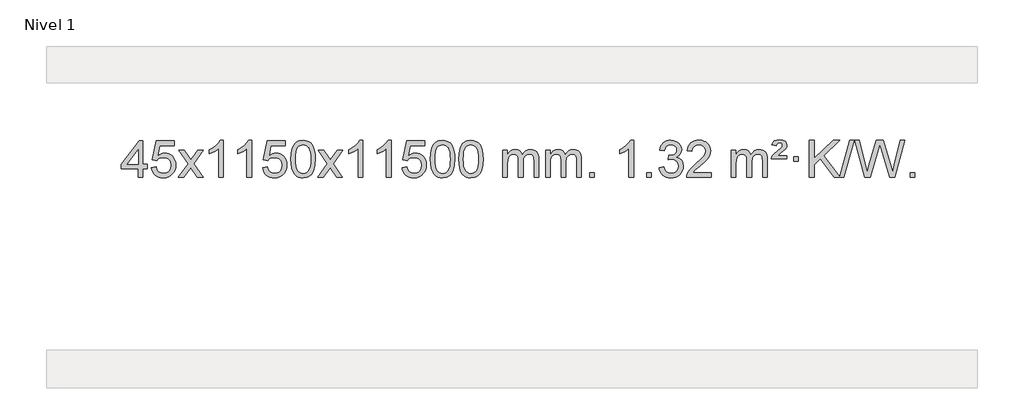
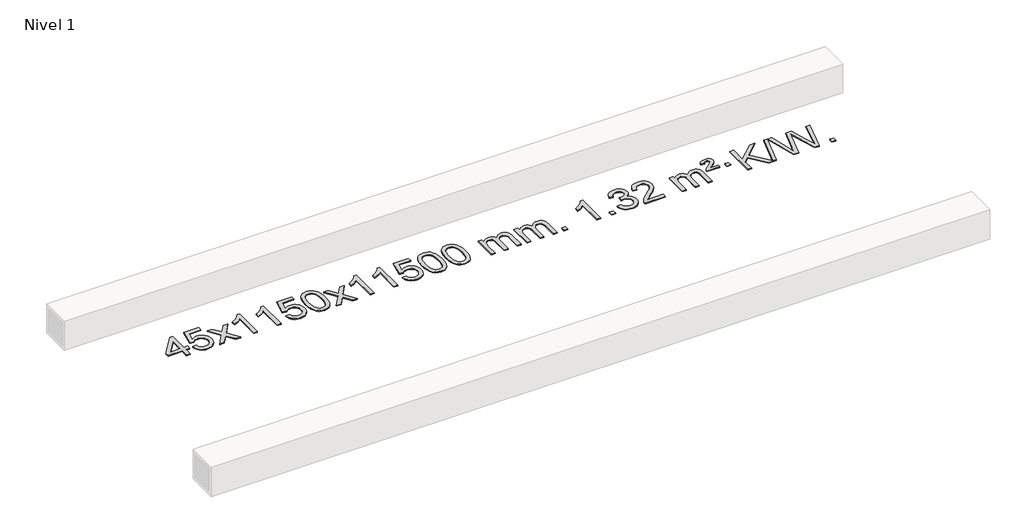
# One storey, part 3 of 4: 1 proxy.
"""IFC4 building model written with IfcOpenShell, lengths in millimetres."""

from ifc_helpers import new_model, si_unit, origin, origin_with_axes, place, context, project, spatial, polyline, outline, extrude, element, save

model = new_model("IFC4")

# Units and contexts
model_context = context("Model", 3, world=origin())
ifc_project = project(units=[si_unit("LENGTHUNIT", "METRE", prefix="MILLI")], contexts=[model_context])

# Site, building, storey
site = spatial("IfcSite", under=ifc_project)
building = spatial("IfcBuilding", under=site)
storey = spatial("IfcBuildingStorey", under=building, Name="Nivel 1", Elevation=0.0)

# Proxy
placement = place(None, origin())
element("IfcBuildingElementProxy", 1, Name="Texto de modelo 1", ObjectType="Texto de modelo 1", at=placement, inside=storey, context=model_context, shape_type="SweptSolid", body=[
    extrude(outline(polyline([(-19001.7254597, -1016.3248037), (-19001.7254597, -922.1470129), (-19183.8025218, -922.1470129), (-19183.8025218, -871.9188579), (-18989.1684209, -620.7780825), (-18951.4973046, -620.7780825), (-18951.4973046, -871.9188579), (-18901.2691495, -871.9188579), (-18901.2691495, -922.1470129), (-18951.4973046, -922.1470129), (-18951.4973046, -1016.3248037), (-19001.7254597, -1016.3248037)]), holes=[polyline([(-19001.7254597, -871.9188579), (-19001.7254597, -716.7217068), (-19121.9983466, -871.9188579), (-19001.7254597, -871.9188579)])]), origin_with_axes(), (0.0, 0.0, 1.0), 10.0),
    extrude(outline(polyline([(-18857.3195138, -909.5899742), (-18807.0913588, -903.3114548), (-18797.8697834, -933.4655156), (-18781.7810775, -955.0601888), (-18758.8988174, -968.0464232), (-18729.2965795, -972.375168), (-18710.1667158, -970.8699175), (-18693.2931949, -966.354166), (-18678.676017, -958.8279135), (-18666.3151819, -948.2911601), (-18656.4866013, -935.2650717), (-18649.4661866, -920.2708148), (-18643.8498548, -884.3777948), (-18649.1105673, -850.5817021), (-18655.686458, -836.6635), (-18664.8927049, -824.7318606), (-18676.7599649, -815.1607974), (-18691.3188949, -808.3243236), (-18728.5117646, -802.8551446), (-18752.8778154, -805.0379111), (-18772.6085531, -811.5862106), (-18788.3661652, -821.6171264), (-18800.8128394, -834.2477415), (-18851.0409945, -827.9692222), (-18807.0913588, -620.7780825), (-18612.4572579, -620.7780825), (-18612.4572579, -671.0062376), (-18766.4771865, -671.0062376), (-18787.961495, -781.6651417), (-18770.2357142, -768.9609501), (-18752.0807378, -759.8865276), (-18733.4965656, -754.4418741), (-18714.4831979, -752.6269896), (-18690.0221109, -754.8772011), (-18667.553718, -761.6278357), (-18647.0780193, -772.8788934), (-18628.5950147, -788.6303741), (-18613.2941894, -807.9196534), (-18602.3650285, -829.7841067), (-18595.8075319, -854.2237339), (-18593.6216997, -881.2385351), (-18595.5898684, -907.2600549), (-18601.4943744, -931.4666901), (-18611.3352178, -953.8584409), (-18625.1123985, -974.4353072), (-18645.9835703, -995.5088141), (-18670.3373584, -1010.5613191), (-18698.1737627, -1019.5928221), (-18729.4927833, -1022.6033231), (-18755.4131355, -1020.6688769), (-18778.8257588, -1014.8655384), (-18799.7306532, -1005.1933077), (-18818.1278186, -991.6521846), (-18833.4347753, -974.9166195), (-18845.0690434, -955.6610627), (-18853.0306229, -933.8855143), (-18857.3195138, -909.5899742)])), origin_with_axes(), (0.0, 0.0, 1.0), 10.0),
    extrude(outline(polyline([(-18568.5076222, -1016.3248037), (-18461.1841814, -867.9947832), (-18562.2291028, -721.2343926), (-18501.7983537, -721.2343926), (-18453.0417266, -791.8677357), (-18430.2820938, -825.2223699), (-18410.5636189, -797.9500514), (-18355.0379631, -721.2343926), (-18294.607214, -721.2343926), (-18400.7534324, -867.9947832), (-18298.5312886, -1016.3248037), (-18358.9620377, -1016.3248037), (-18420.4719073, -927.1502081), (-18431.7536218, -910.8652984), (-18508.0768731, -1016.3248037), (-18568.5076222, -1016.3248037)])), origin_with_axes(), (0.0, 0.0, 1.0), 10.0),
    extrude(outline(polyline([(-18078.7831102, -1016.3248037), (-18129.0112653, -1016.3248037), (-18129.0112653, -703.1836494), (-18149.980539, -720.1430094), (-18176.59067, -737.0778439), (-18229.4675754, -762.4371761), (-18229.4675754, -714.9558732), (-18190.0183628, -693.4960902), (-18155.8421254, -667.9650797), (-18128.9009007, -640.8153885), (-18111.1567258, -614.4995631), (-18078.7831102, -614.4995631), (-18078.7831102, -1016.3248037)])), origin_with_axes(), (0.0, 0.0, 1.0), 10.0),
    extrude(outline(polyline([(-17771.1356604, -1016.3248037), (-17821.3638154, -1016.3248037), (-17821.3638154, -703.1836494), (-17842.3330892, -720.1430094), (-17868.9432201, -737.0778439), (-17921.8201256, -762.4371761), (-17921.8201256, -714.9558732), (-17882.370913, -693.4960902), (-17848.1946756, -667.9650797), (-17821.2534508, -640.8153885), (-17803.5092759, -614.4995631), (-17771.1356604, -614.4995631), (-17771.1356604, -1016.3248037)])), origin_with_axes(), (0.0, 0.0, 1.0), 10.0),
    extrude(outline(polyline([(-17651.8437921, -909.5899742), (-17601.615637, -903.3114548), (-17592.3940616, -933.4655156), (-17576.3053557, -955.0601888), (-17553.4230956, -968.0464232), (-17523.8208577, -972.375168), (-17504.690994, -970.8699175), (-17487.8174731, -966.354166), (-17473.2002952, -958.8279135), (-17460.8394602, -948.2911601), (-17451.0108795, -935.2650717), (-17443.9904648, -920.2708148), (-17438.374133, -884.3777948), (-17443.6348455, -850.5817021), (-17450.2107362, -836.6635), (-17459.4169831, -824.7318606), (-17471.2842431, -815.1607974), (-17485.8431731, -808.3243236), (-17523.0360428, -802.8551446), (-17547.4020936, -805.0379111), (-17567.1328313, -811.5862106), (-17582.8904434, -821.6171264), (-17595.3371176, -834.2477415), (-17645.5652727, -827.9692222), (-17601.615637, -620.7780825), (-17406.9815361, -620.7780825), (-17406.9815361, -671.0062376), (-17561.0014647, -671.0062376), (-17582.4857732, -781.6651417), (-17564.7599924, -768.9609501), (-17546.605016, -759.8865276), (-17528.0208438, -754.4418741), (-17509.0074761, -752.6269896), (-17484.5463891, -754.8772011), (-17462.0779962, -761.6278357), (-17441.6022975, -772.8788934), (-17423.1192929, -788.6303741), (-17407.8184676, -807.9196534), (-17396.8893067, -829.7841067), (-17390.3318101, -854.2237339), (-17388.1459779, -881.2385351), (-17390.1141466, -907.2600549), (-17396.0186526, -931.4666901), (-17405.859496, -953.8584409), (-17419.6366767, -974.4353072), (-17440.5078486, -995.5088141), (-17464.8616366, -1010.5613191), (-17492.6980409, -1019.5928221), (-17524.0170615, -1022.6033231), (-17549.9374137, -1020.6688769), (-17573.350037, -1014.8655384), (-17594.2549314, -1005.1933077), (-17612.6520968, -991.6521846), (-17627.9590535, -974.9166195), (-17639.5933216, -955.6610627), (-17647.5549011, -933.8855143), (-17651.8437921, -909.5899742)])), origin_with_axes(), (0.0, 0.0, 1.0), 10.0),
    extrude(outline(polyline([(-17344.1963422, -818.649545), (-17340.5052595, -754.3315095), (-17329.4320115, -703.0364966), (-17311.0869627, -663.9796914), (-17299.2288997, -648.7463112), (-17285.5804777, -636.3762791), (-17270.0957113, -626.8052158), (-17252.7286155, -619.9687421), (-17212.3474351, -614.4995631), (-17181.3962966, -617.7369247), (-17153.6825196, -627.4490093), (-17130.505954, -643.2556724), (-17113.1664492, -664.7767691), (-17100.0698502, -691.8283585), (-17089.6220016, -724.2264995), (-17082.7793964, -765.3679693), (-17080.4985281, -818.649545), (-17084.1528226, -882.5996984), (-17095.115706, -933.772084), (-17113.3503902, -972.8656773), (-17125.1808621, -988.1450429), (-17138.820087, -1000.5794543), (-17154.3232475, -1010.2148969), (-17171.7455256, -1017.0973559), (-17212.3474351, -1022.6033231), (-17240.0121612, -1020.2120901), (-17264.5376275, -1013.0383912), (-17285.9238342, -1001.0822264), (-17304.1707811, -984.3435956), (-17321.6819641, -954.0853015), (-17334.1899519, -916.3835283), (-17341.6947446, -871.2382762), (-17344.1963422, -818.649545)]), holes=[polyline([(-17293.9681871, -818.5514431), (-17292.4966592, -862.2159702), (-17288.0820752, -897.5602329), (-17280.7244353, -924.5842311), (-17270.4237395, -943.2879649), (-17257.9648025, -956.0136163), (-17244.1324395, -965.1033672), (-17228.9266504, -970.5572178), (-17212.3474351, -972.375168), (-17195.7682199, -970.5510864), (-17180.5624308, -965.0788418), (-17166.7300677, -955.958434), (-17154.2711308, -943.1898631), (-17143.970435, -924.4554724), (-17136.6127951, -897.4376056), (-17132.1982111, -862.1362625), (-17130.7266831, -818.5514431), (-17132.1491602, -776.0426785), (-17136.4165913, -741.3207496), (-17143.5289766, -714.3856562), (-17153.4863159, -695.2373983), (-17165.7367864, -681.8894132), (-17179.7285649, -672.3551382), (-17195.4616516, -666.6345732), (-17212.9360463, -664.7277182), (-17229.4294225, -666.4077126), (-17244.3776942, -671.4476959), (-17257.7808616, -679.8476682), (-17269.6389245, -691.6076293), (-17280.2829769, -712.4542757), (-17287.8858715, -740.5604601), (-17292.4476082, -775.9261826), (-17293.9681871, -818.5514431)])]), origin_with_axes(), (0.0, 0.0, 1.0), 10.0),
    extrude(outline(polyline([(-17055.3844505, -1016.3248037), (-16948.0610098, -867.9947832), (-17049.1059312, -721.2343926), (-16988.6751821, -721.2343926), (-16939.918555, -791.8677357), (-16917.1589222, -825.2223699), (-16897.4404473, -797.9500514), (-16841.9147915, -721.2343926), (-16781.4840424, -721.2343926), (-16887.6302607, -867.9947832), (-16785.408117, -1016.3248037), (-16845.8388661, -1016.3248037), (-16907.3487357, -927.1502081), (-16918.6304502, -910.8652984), (-16994.9537015, -1016.3248037), (-17055.3844505, -1016.3248037)])), origin_with_axes(), (0.0, 0.0, 1.0), 10.0),
    extrude(outline(polyline([(-16565.6599386, -1016.3248037), (-16615.8880936, -1016.3248037), (-16615.8880936, -703.1836494), (-16636.8573674, -720.1430094), (-16663.4674983, -737.0778439), (-16716.3444038, -762.4371761), (-16716.3444038, -714.9558732), (-16676.8951912, -693.4960902), (-16642.7189538, -667.9650797), (-16615.777729, -640.8153885), (-16598.0335541, -614.4995631), (-16565.6599386, -614.4995631), (-16565.6599386, -1016.3248037)])), origin_with_axes(), (0.0, 0.0, 1.0), 10.0),
    extrude(outline(polyline([(-16258.0124887, -1016.3248037), (-16308.2406438, -1016.3248037), (-16308.2406438, -703.1836494), (-16329.2099175, -720.1430094), (-16355.8200485, -737.0778439), (-16408.6969539, -762.4371761), (-16408.6969539, -714.9558732), (-16369.2477413, -693.4960902), (-16335.071504, -667.9650797), (-16308.1302792, -640.8153885), (-16290.3861043, -614.4995631), (-16258.0124887, -614.4995631), (-16258.0124887, -1016.3248037)])), origin_with_axes(), (0.0, 0.0, 1.0), 10.0),
    extrude(outline(polyline([(-16138.7206204, -909.5899742), (-16088.4924653, -903.3114548), (-16079.27089, -933.4655156), (-16063.1821841, -955.0601888), (-16040.299924, -968.0464232), (-16010.6976861, -972.375168), (-15991.5678224, -970.8699175), (-15974.6943015, -966.354166), (-15960.0771236, -958.8279135), (-15947.7162885, -948.2911601), (-15937.8877079, -935.2650717), (-15930.8672931, -920.2708148), (-15925.2509614, -884.3777948), (-15930.5116739, -850.5817021), (-15937.0875645, -836.6635), (-15946.2938115, -824.7318606), (-15958.1610715, -815.1607974), (-15972.7200015, -808.3243236), (-16009.9128712, -802.8551446), (-16034.278922, -805.0379111), (-16054.0096597, -811.5862106), (-16069.7672718, -821.6171264), (-16082.213946, -834.2477415), (-16132.442101, -827.9692222), (-16088.4924653, -620.7780825), (-15893.8583644, -620.7780825), (-15893.8583644, -671.0062376), (-16047.8782931, -671.0062376), (-16069.3626016, -781.6651417), (-16051.6368208, -768.9609501), (-16033.4818443, -759.8865276), (-16014.8976722, -754.4418741), (-15995.8843044, -752.6269896), (-15971.4232174, -754.8772011), (-15948.9548246, -761.6278357), (-15928.4791259, -772.8788934), (-15909.9961213, -788.6303741), (-15894.695296, -807.9196534), (-15883.766135, -829.7841067), (-15877.2086385, -854.2237339), (-15875.0228063, -881.2385351), (-15876.990975, -907.2600549), (-15882.895481, -931.4666901), (-15892.7363243, -953.8584409), (-15906.5135051, -974.4353072), (-15927.3846769, -995.5088141), (-15951.738465, -1010.5613191), (-15979.5748693, -1019.5928221), (-16010.8938898, -1022.6033231), (-16036.8142421, -1020.6688769), (-16060.2268654, -1014.8655384), (-16081.1317598, -1005.1933077), (-16099.5289252, -991.6521846), (-16114.8358819, -974.9166195), (-16126.47015, -955.6610627), (-16134.4317295, -933.8855143), (-16138.7206204, -909.5899742)])), origin_with_axes(), (0.0, 0.0, 1.0), 10.0),
    extrude(outline(polyline([(-15831.0731706, -818.649545), (-15827.3820879, -754.3315095), (-15816.3088398, -703.0364966), (-15797.963791, -663.9796914), (-15786.105728, -648.7463112), (-15772.457306, -636.3762791), (-15756.9725397, -626.8052158), (-15739.6054439, -619.9687421), (-15699.2242635, -614.4995631), (-15668.273125, -617.7369247), (-15640.559348, -627.4490093), (-15617.3827823, -643.2556724), (-15600.0432776, -664.7767691), (-15586.9466786, -691.8283585), (-15576.4988299, -724.2264995), (-15569.6562248, -765.3679693), (-15567.3753564, -818.649545), (-15571.0296509, -882.5996984), (-15581.9925344, -933.772084), (-15600.2272186, -972.8656773), (-15612.0576904, -988.1450429), (-15625.6969154, -1000.5794543), (-15641.2000758, -1010.2148969), (-15658.622354, -1017.0973559), (-15699.2242635, -1022.6033231), (-15726.8889896, -1020.2120901), (-15751.4144559, -1013.0383912), (-15772.8006626, -1001.0822264), (-15791.0476095, -984.3435956), (-15808.5587925, -954.0853015), (-15821.0667803, -916.3835283), (-15828.571573, -871.2382762), (-15831.0731706, -818.649545)]), holes=[polyline([(-15780.8450155, -818.5514431), (-15779.3734875, -862.2159702), (-15774.9589036, -897.5602329), (-15767.6012637, -924.5842311), (-15757.3005678, -943.2879649), (-15744.8416309, -956.0136163), (-15731.0092679, -965.1033672), (-15715.8034788, -970.5572178), (-15699.2242635, -972.375168), (-15682.6450483, -970.5510864), (-15667.4392591, -965.0788418), (-15653.6068961, -955.958434), (-15641.1479592, -943.1898631), (-15630.8472633, -924.4554724), (-15623.4896234, -897.4376056), (-15619.0750395, -862.1362625), (-15617.6035115, -818.5514431), (-15619.0259886, -776.0426785), (-15623.2934197, -741.3207496), (-15630.405805, -714.3856562), (-15640.3631443, -695.2373983), (-15652.6136147, -681.8894132), (-15666.6053933, -672.3551382), (-15682.3384799, -666.6345732), (-15699.8128747, -664.7277182), (-15716.3062508, -666.4077126), (-15731.2545226, -671.4476959), (-15744.6576899, -679.8476682), (-15756.5157529, -691.6076293), (-15767.1598053, -712.4542757), (-15774.7626999, -740.5604601), (-15779.3244366, -775.9261826), (-15780.8450155, -818.5514431)])]), origin_with_axes(), (0.0, 0.0, 1.0), 10.0),
    extrude(outline(polyline([(-15523.4257208, -818.649545), (-15519.7346381, -754.3315095), (-15508.66139, -703.0364966), (-15490.3163412, -663.9796914), (-15478.4582782, -648.7463112), (-15464.8098562, -636.3762791), (-15449.3250899, -626.8052158), (-15431.957994, -619.9687421), (-15391.5768137, -614.4995631), (-15360.6256752, -617.7369247), (-15332.9118982, -627.4490093), (-15309.7353325, -643.2556724), (-15292.3958278, -664.7767691), (-15279.2992288, -691.8283585), (-15268.8513801, -724.2264995), (-15262.008775, -765.3679693), (-15259.7279066, -818.649545), (-15263.3822011, -882.5996984), (-15274.3450846, -933.772084), (-15292.5797688, -972.8656773), (-15304.4102406, -988.1450429), (-15318.0494656, -1000.5794543), (-15333.552626, -1010.2148969), (-15350.9749041, -1017.0973559), (-15391.5768137, -1022.6033231), (-15419.2415397, -1020.2120901), (-15443.7670061, -1013.0383912), (-15465.1532127, -1001.0822264), (-15483.4001597, -984.3435956), (-15500.9113427, -954.0853015), (-15513.4193305, -916.3835283), (-15520.9241232, -871.2382762), (-15523.4257208, -818.649545)]), holes=[polyline([(-15473.1975657, -818.5514431), (-15471.7260377, -862.2159702), (-15467.3114538, -897.5602329), (-15459.9538139, -924.5842311), (-15449.653118, -943.2879649), (-15437.1941811, -956.0136163), (-15423.3618181, -965.1033672), (-15408.1560289, -970.5572178), (-15391.5768137, -972.375168), (-15374.9975984, -970.5510864), (-15359.7918093, -965.0788418), (-15345.9594463, -955.958434), (-15333.5005094, -943.1898631), (-15323.1998135, -924.4554724), (-15315.8421736, -897.4376056), (-15311.4275897, -862.1362625), (-15309.9560617, -818.5514431), (-15311.3785387, -776.0426785), (-15315.6459699, -741.3207496), (-15322.7583551, -714.3856562), (-15332.7156945, -695.2373983), (-15344.9661649, -681.8894132), (-15358.9579434, -672.3551382), (-15374.6910301, -666.6345732), (-15392.1654249, -664.7277182), (-15408.658801, -666.4077126), (-15423.6070727, -671.4476959), (-15437.0102401, -679.8476682), (-15448.8683031, -691.6076293), (-15459.5123555, -712.4542757), (-15467.11525, -740.5604601), (-15471.6769868, -775.9261826), (-15473.1975657, -818.5514431)])]), origin_with_axes(), (0.0, 0.0, 1.0), 10.0),
    extrude(outline(polyline([(-15046.2582475, -1016.3248037), (-15046.2582475, -721.2343926), (-14996.0300925, -721.2343926), (-14996.0300925, -769.794816), (-14980.9224052, -747.4889044), (-14961.4982359, -730.0145096), (-14938.419772, -718.7205323), (-14912.3492013, -714.9558732), (-14884.4146951, -718.7941087), (-14862.0229444, -730.3088152), (-14845.2965763, -748.7397031), (-14834.3582183, -773.3264831), (-14816.0499577, -747.7893413), (-14795.1665231, -729.5485257), (-14771.7079145, -718.6040364), (-14745.674132, -714.9558732), (-14725.5663153, -716.4733865), (-14707.9171766, -721.0259262), (-14692.7267159, -728.6134923), (-14679.9949331, -739.2360849), (-14669.9302949, -753.0163313), (-14662.7412676, -770.0768589), (-14658.4278512, -790.4176675), (-14656.9900457, -814.0387573), (-14656.9900457, -1016.3248037), (-14707.2182008, -1016.3248037), (-14707.2182008, -835.6211677), (-14708.3831604, -810.5684038), (-14711.8780394, -793.6826202), (-14718.4263389, -782.1188628), (-14728.7515602, -773.0321776), (-14742.0321003, -767.1460656), (-14757.4463559, -765.1840283), (-14784.6573608, -770.2117489), (-14806.8406451, -785.2949107), (-14815.4460181, -796.8647995), (-14821.5927131, -811.4635833), (-14826.5100691, -849.7478363), (-14826.5100691, -1016.3248037), (-14876.7382242, -1016.3248037), (-14876.7382242, -830.0293613), (-14879.6444919, -801.6288713), (-14888.3632952, -781.3708361), (-14903.7039744, -769.2307303), (-14926.4758699, -765.1840283), (-14945.8264629, -767.8818296), (-14963.6564769, -775.9752335), (-14978.3717567, -789.2680363), (-14988.378147, -807.5640342), (-14994.1171061, -832.9478918), (-14996.0300925, -867.5042739), (-14996.0300925, -1016.3248037), (-15046.2582475, -1016.3248037)])), origin_with_axes(), (0.0, 0.0, 1.0), 10.0),
    extrude(outline(polyline([(-14581.6478131, -1016.3248037), (-14581.6478131, -721.2343926), (-14531.419658, -721.2343926), (-14531.419658, -769.794816), (-14516.3119708, -747.4889044), (-14496.8878014, -730.0145096), (-14473.8093376, -718.7205323), (-14447.7387669, -714.9558732), (-14419.8042607, -718.7941087), (-14397.4125099, -730.3088152), (-14380.6861419, -748.7397031), (-14369.7477839, -773.3264831), (-14351.4395233, -747.7893413), (-14330.5560887, -729.5485257), (-14307.0974801, -718.6040364), (-14281.0636976, -714.9558732), (-14260.9558809, -716.4733865), (-14243.3067421, -721.0259262), (-14228.1162814, -728.6134923), (-14215.3844987, -739.2360849), (-14205.3198605, -753.0163313), (-14198.1308331, -770.0768589), (-14193.8174167, -790.4176675), (-14192.3796113, -814.0387573), (-14192.3796113, -1016.3248037), (-14242.6077663, -1016.3248037), (-14242.6077663, -835.6211677), (-14243.772726, -810.5684038), (-14247.267605, -793.6826202), (-14253.8159045, -782.1188628), (-14264.1411258, -773.0321776), (-14277.4216658, -767.1460656), (-14292.8359214, -765.1840283), (-14320.0469263, -770.2117489), (-14342.2302106, -785.2949107), (-14350.8355836, -796.8647995), (-14356.9822786, -811.4635833), (-14361.8996347, -849.7478363), (-14361.8996347, -1016.3248037), (-14412.1277897, -1016.3248037), (-14412.1277897, -830.0293613), (-14415.0340575, -801.6288713), (-14423.7528608, -781.3708361), (-14439.09354, -769.2307303), (-14461.8654355, -765.1840283), (-14481.2160284, -767.8818296), (-14499.0460425, -775.9752335), (-14513.7613223, -789.2680363), (-14523.7677125, -807.5640342), (-14529.5066717, -832.9478918), (-14531.419658, -867.5042739), (-14531.419658, -1016.3248037), (-14581.6478131, -1016.3248037)])), origin_with_axes(), (0.0, 0.0, 1.0), 10.0),
    extrude(outline(polyline([(-14104.4803399, -1016.3248037), (-14104.4803399, -966.0966486), (-14054.2521848, -966.0966486), (-14054.2521848, -1016.3248037), (-14104.4803399, -1016.3248037)])), origin_with_axes(), (0.0, 0.0, 1.0), 10.0),
    extrude(outline(polyline([(-13627.3128667, -1016.3248037), (-13677.5410218, -1016.3248037), (-13677.5410218, -703.1836494), (-13698.5102955, -720.1430094), (-13725.1204265, -737.0778439), (-13777.9973319, -762.4371761), (-13777.9973319, -714.9558732), (-13738.5481193, -693.4960902), (-13704.3718819, -667.9650797), (-13677.4306572, -640.8153885), (-13659.6864823, -614.4995631), (-13627.3128667, -614.4995631), (-13627.3128667, -1016.3248037)])), origin_with_axes(), (0.0, 0.0, 1.0), 10.0),
    extrude(outline(polyline([(-13482.9069208, -1016.3248037), (-13482.9069208, -966.0966486), (-13432.6787658, -966.0966486), (-13432.6787658, -1016.3248037), (-13482.9069208, -1016.3248037)])), origin_with_axes(), (0.0, 0.0, 1.0), 10.0),
    extrude(outline(polyline([(-13351.0580138, -909.5899742), (-13300.8298587, -903.3114548), (-13289.5849324, -934.87573), (-13273.1160817, -956.1883602), (-13250.6139664, -968.3284661), (-13221.2692459, -972.375168), (-13186.8354911, -966.8078871), (-13172.5616697, -959.8487861), (-13160.2498856, -950.1060446), (-13143.2537374, -925.1881708), (-13137.5883547, -894.9727962), (-13143.2046865, -866.2902633), (-13160.0536819, -843.0278585), (-13185.5601669, -827.6136029), (-13217.1489675, -822.4755177), (-13252.3675372, -827.9692222), (-13246.7757309, -777.7410671), (-13238.7313779, -778.3296783), (-13208.6386307, -774.7244347), (-13181.7341941, -763.9087041), (-13170.6609461, -755.729461), (-13162.7514832, -745.6127062), (-13158.0058054, -733.5584395), (-13156.4239129, -719.5666609), (-13161.0101751, -697.8738859), (-13174.7689617, -680.2768638), (-13195.7627609, -668.6150046), (-13222.0540608, -664.7277182), (-13248.3944116, -668.6517928), (-13269.9277711, -680.4240166), (-13285.648595, -700.0443897), (-13294.5513393, -727.512912), (-13344.7794944, -721.2343926), (-13338.8259374, -697.2546179), (-13329.9906382, -676.13206), (-13318.2735966, -657.866719), (-13303.6748128, -642.4585947), (-13286.6541391, -630.2265184), (-13267.6714282, -621.489321), (-13246.7266799, -616.2470026), (-13223.8198944, -614.4995631), (-13192.2433565, -617.9453911), (-13163.2419925, -628.2828752), (-13138.7901026, -644.5923103), (-13120.8619867, -665.9539915), (-13109.862315, -690.565297), (-13106.1957578, -716.623605), (-13109.678374, -740.9038166), (-13120.1262227, -762.9276854), (-13137.392151, -781.6896672), (-13161.3290061, -796.1842178), (-13129.8873583, -808.8884093), (-13106.5881652, -830.5198707), (-13092.167191, -859.9013793), (-13087.3601996, -895.855713), (-13089.7636953, -921.3376725), (-13096.9741824, -944.8085438), (-13108.9916609, -966.2683269), (-13125.8161309, -985.7170217), (-13146.3132894, -1001.8547786), (-13169.3488336, -1013.3817477), (-13194.9227637, -1020.2979292), (-13223.0350794, -1022.6033231), (-13248.4434626, -1020.6351544), (-13271.5955028, -1014.7306484), (-13292.4912001, -1004.889805), (-13311.1305546, -991.1126243), (-13326.759408, -974.2084466), (-13338.6236023, -954.9866124), (-13346.7231376, -933.4471215), (-13351.0580138, -909.5899742)])), origin_with_axes(), (0.0, 0.0, 1.0), 10.0),
    extrude(outline(polyline([(-12785.9912692, -966.0966486), (-12785.9912692, -1016.3248037), (-13049.6890833, -1016.3248037), (-13048.5854373, -998.6419425), (-13044.2934807, -981.6948452), (-13031.9081202, -954.6309931), (-13013.7838006, -928.3764814), (-12987.5660771, -900.8956963), (-12950.9005049, -870.1530243), (-12896.6992243, -822.0095338), (-12864.1784559, -786.4721331), (-12847.9180717, -757.6301847), (-12842.4979436, -729.5730512), (-12847.6115034, -704.4221855), (-12862.9521826, -683.5142254), (-12886.5334185, -669.424345), (-12916.3686483, -664.7277182), (-12947.6999315, -669.3139804), (-12972.0414569, -683.072767), (-12987.7500181, -704.9249575), (-12993.1824089, -733.7914314), (-13043.4105639, -727.512912), (-13039.0910162, -701.5833627), (-13031.2336699, -678.9279632), (-13019.8385251, -659.5467134), (-13004.9055818, -643.4396134), (-12986.7781965, -630.7783414), (-12965.7997257, -621.7345757), (-12941.9701695, -616.3083162), (-12915.2895277, -614.4995631), (-12888.3697628, -616.5106513), (-12864.4114478, -622.5439161), (-12843.4145829, -632.5993573), (-12825.3791681, -646.6769749), (-12810.8938146, -663.7344368), (-12800.5471335, -682.7294105), (-12794.3391248, -703.661896), (-12792.2697886, -726.5318934), (-12794.501606, -750.5545876), (-12801.1970583, -774.160349), (-12813.0796468, -798.1707806), (-12830.8728726, -823.4074854), (-12859.2365744, -853.5370208), (-12902.8305908, -892.225944), (-12960.6125896, -940.5411127), (-12983.2741205, -966.0966486), (-12785.9912692, -966.0966486)])), origin_with_axes(), (0.0, 0.0, 1.0), 10.0),
    extrude(outline(polyline([(-12566.2430907, -1016.3248037), (-12566.2430907, -721.2343926), (-12516.0149357, -721.2343926), (-12516.0149357, -769.794816), (-12500.9072484, -747.4889044), (-12481.483079, -730.0145096), (-12458.4046152, -718.7205323), (-12432.3340445, -714.9558732), (-12404.3995383, -718.7941087), (-12382.0077875, -730.3088152), (-12365.2814195, -748.7397031), (-12354.3430615, -773.3264831), (-12336.0348009, -747.7893413), (-12315.1513663, -729.5485257), (-12291.6927577, -718.6040364), (-12265.6589752, -714.9558732), (-12245.5511585, -716.4733865), (-12227.9020198, -721.0259262), (-12212.711559, -728.6134923), (-12199.9797763, -739.2360849), (-12189.9151381, -753.0163313), (-12182.7261108, -770.0768589), (-12178.4126944, -790.4176675), (-12176.9748889, -814.0387573), (-12176.9748889, -1016.3248037), (-12227.203044, -1016.3248037), (-12227.203044, -835.6211677), (-12228.3680036, -810.5684038), (-12231.8628826, -793.6826202), (-12238.4111821, -782.1188628), (-12248.7364034, -773.0321776), (-12262.0169434, -767.1460656), (-12277.431199, -765.1840283), (-12304.642204, -770.2117489), (-12326.8254883, -785.2949107), (-12335.4308613, -796.8647995), (-12341.5775563, -811.4635833), (-12346.4949123, -849.7478363), (-12346.4949123, -1016.3248037), (-12396.7230673, -1016.3248037), (-12396.7230673, -830.0293613), (-12399.6293351, -801.6288713), (-12408.3481384, -781.3708361), (-12423.6888176, -769.2307303), (-12446.4607131, -765.1840283), (-12465.811306, -767.8818296), (-12483.6413201, -775.9752335), (-12498.3565999, -789.2680363), (-12508.3629902, -807.5640342), (-12514.1019493, -832.9478918), (-12516.0149357, -867.5042739), (-12516.0149357, -1016.3248037), (-12566.2430907, -1016.3248037)])), origin_with_axes(), (0.0, 0.0, 1.0), 10.0),
    extrude(outline(polyline([(-12133.0252532, -815.4121834), (-12129.1992805, -799.5932576), (-12120.8606219, -783.7252809), (-12099.3517879, -758.5866779), (-12067.3951053, -730.8483754), (-12023.2492658, -693.4715647), (-12016.1123551, -681.9445955), (-12013.7333849, -670.1233208), (-12015.6218458, -658.0322659), (-12021.2872285, -648.2466048), (-12030.6559567, -641.7718817), (-12043.6544538, -639.6136406), (-12056.0888653, -641.2323214), (-12064.9425586, -646.0883637), (-12071.3682308, -655.5551938), (-12076.5185787, -671.0062376), (-12126.7467338, -664.7277182), (-12115.9064777, -639.5155388), (-12099.2782115, -621.9553049), (-12075.5130346, -611.654609), (-12043.2620464, -608.2210437), (-12007.479391, -612.3535848), (-11982.7331954, -624.751208), (-11968.3122212, -643.0839941), (-11963.5052298, -665.0220238), (-11967.6009827, -687.9288093), (-11979.8882413, -709.5602706), (-12000.4160567, -729.3768475), (-12036.8854251, -757.433981), (-12062.490012, -784.0195865), (-11963.5052298, -784.0195865), (-11963.5052298, -815.4121834), (-12133.0252532, -815.4121834)])), origin_with_axes(), (0.0, 0.0, 1.0), 10.0),
    extrude(outline(polyline([(-11888.1629972, -840.5262609), (-11888.1629972, -790.2981059), (-11837.9348421, -790.2981059), (-11837.9348421, -840.5262609), (-11888.1629972, -840.5262609)])), origin_with_axes(), (0.0, 0.0, 1.0), 10.0),
    extrude(outline(polyline([(-11447.2932142, -1016.3248037), (-11600.7245317, -813.6463498), (-11668.4148188, -878.1973772), (-11668.4148188, -1016.3248037), (-11718.6429738, -1016.3248037), (-11718.6429738, -614.4995631), (-11668.4148188, -614.4995631), (-11668.4148188, -811.1938032), (-11462.4009015, -614.4995631), (-11392.1599659, -614.4995631), (-11565.1135545, -779.7031044), (-11390.4599447, -1010.2802839), (-11279.1466169, -614.4995631), (-11233.8235551, -614.4995631), (-11346.836904, -1016.3248037), (-11385.8814465, -1016.3248037), (-11392.1599659, -1016.3248037), (-11447.2932142, -1016.3248037)])), origin_with_axes(), (0.0, 0.0, 1.0), 10.0),
    extrude(outline(polyline([(-11119.3386782, -1016.3248037), (-11228.9184619, -614.4995631), (-11177.1206769, -614.4995631), (-11113.5506682, -878.5897847), (-11093.9302951, -960.1124348), (-11072.9364959, -888.0075638), (-10993.2777812, -614.4995631), (-10918.6222617, -614.4995631), (-10860.7421611, -812.763433), (-10835.9469146, -886.3398321), (-10817.6754422, -960.1124348), (-10798.6436803, -880.9442295), (-10734.4850603, -614.4995631), (-10682.6872754, -614.4995631), (-10792.3651609, -1016.3248037), (-10846.0268813, -1016.3248037), (-10942.3629131, -706.3229091), (-10955.8028686, -663.0599865), (-10970.9105559, -715.152077), (-11058.7117254, -1016.3248037), (-11119.3386782, -1016.3248037)])), origin_with_axes(), (0.0, 0.0, 1.0), 10.0),
    extrude(outline(polyline([(-10626.180601, -1016.3248037), (-10626.180601, -966.0966486), (-10575.9524459, -966.0966486), (-10575.9524459, -1016.3248037), (-10626.180601, -1016.3248037)])), origin_with_axes(), (0.0, 0.0, 1.0), 10.0),
])

save(model, "model.ifc")
